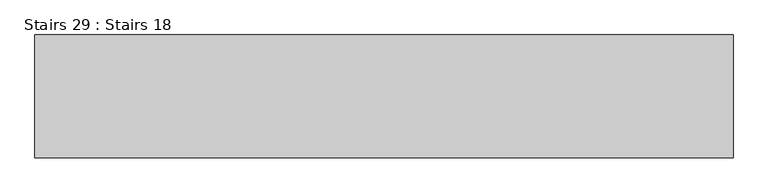
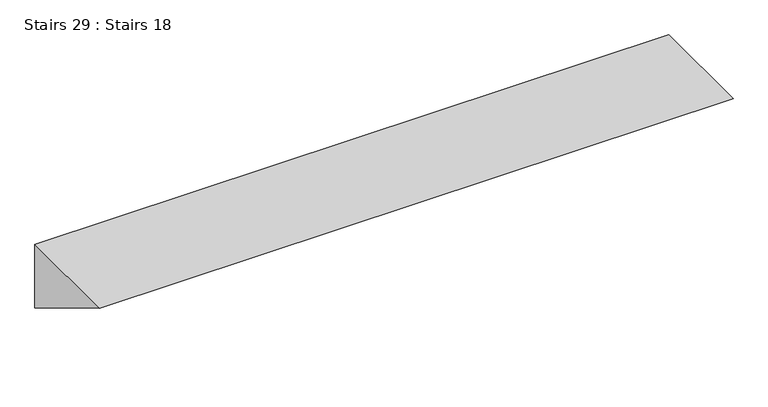
"""IFC4 building model written with IfcOpenShell, lengths in millimetres: stair geometry, Stairs 29 : Stairs 18."""

from ifc_helpers import new_model, si_unit, frame, origin, place, context, project, spatial, polyline, outline, extrude, source, transform, mapped, element, save


def stairs_29_stairs_18_f798df32(model_context):
    return source(origin(), model_context, "Body", "SweptSolid", [
        extrude(outline(polyline([(-6184.0672499, 2170.0), (-6184.0672499, 2018.23577), (-6436.0078689, 2170.0), (-6184.0672499, 2170.0)])), frame((-30695.6912908, 0.0, 0.0), z_axis=(1.0, 0.0, 0.0), x_axis=(0.0, 1.0, 0.0)), (0.0, 0.0, 1.0), 1430.0),
    ])


if __name__ == "__main__":
    model = new_model("IFC4")
    model_context = context("Model", 3, world=origin())
    ifc_project = project(units=[si_unit("LENGTHUNIT", "METRE", prefix="MILLI")], contexts=[model_context])
    site = spatial("IfcSite", under=ifc_project)
    building = spatial("IfcBuilding", under=site)
    placement = place(None, origin())
    stairs_29_stairs_18_shape = stairs_29_stairs_18_f798df32(model_context)
    element("IfcStair", 1, ObjectType="Stairs 29 : Stairs 18", at=placement, inside=building, context=model_context, shape_type="MappedRepresentation", body=[
        mapped(stairs_29_stairs_18_shape, transform((0.0, 0.0, 0.0), x_axis=(1.0, 0.0, 0.0), y_axis=(0.0, 1.0, 0.0), z_axis=(0.0, 0.0, 1.0))),
    ])
    save(model, "model.ifc")
